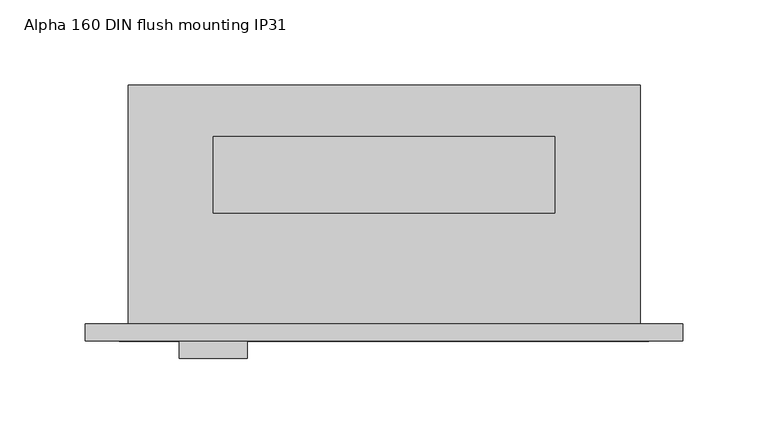
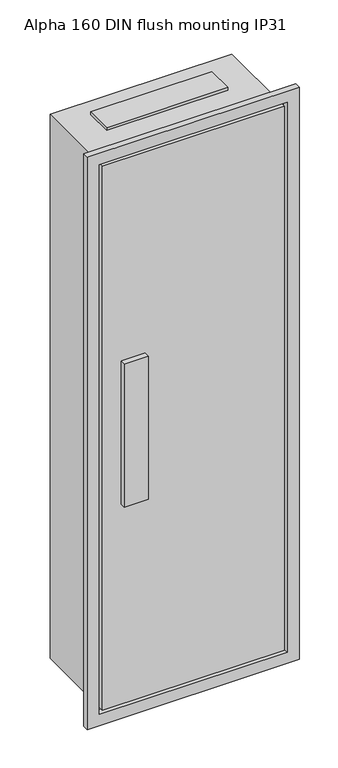
"""IFC4 building model written with IfcOpenShell, lengths in millimetres: proxy geometry, Alpha 160 DIN flush mounting IP31."""

import ifcopenshell
import ifcopenshell.guid

model = None  # the IFC model being written
_history = None  # IfcOwnerHistory: only IFC2X3 demands one
_inside = {}  # id of a spatial element -> (the spatial element, [elements in it])
_under = {}  # id of a project, library or spatial element -> (it, [spatial elements below it])
_declared = {}  # id of a project -> (the project, [libraries it declares])
_typed = {}  # id of a type object -> (the type object, [elements of that type])
_made_of = {}  # id of a material, layer set ... -> (it, [elements and type objects made of it])


def new_model(schema):
    """Start an empty IFC model of exactly this schema.

    Asked for "IFC4X3", IfcOpenShell would pick the latest addendum, in which some entities
    have other attributes; the version numbers below select the first issue.
    IFC2X3 requires an IfcOwnerHistory on every rooted entity: one is made here for all.
    """
    global model, _history
    if schema == "IFC4X3":
        model = ifcopenshell.file(schema_version=(4, 3, 0, 0))
    else:
        model = ifcopenshell.file(schema=schema)
    _inside.clear()
    _under.clear()
    _declared.clear()
    _typed.clear()
    _made_of.clear()
    _history = None
    if model.schema == "IFC2X3":
        org = make("IfcOrganization", Name="unknown")
        user = make(
            "IfcPersonAndOrganization",
            ThePerson=make("IfcPerson", FamilyName="unknown"),
            TheOrganization=org,
        )
        app = make(
            "IfcApplication",
            ApplicationDeveloper=org,
            Version="unknown",
            ApplicationFullName="unknown",
            ApplicationIdentifier="unknown",
        )
        _history = make(
            "IfcOwnerHistory",
            OwningUser=user,
            OwningApplication=app,
            ChangeAction="ADDED",
            CreationDate=0,
        )
    return model


def make(cls, **values):
    """One entity of the class cls with the attributes given. An attribute that is None is left unset."""
    return model.create_entity(
        cls, **{name: value for name, value in values.items() if value is not None}
    )


def rooted(cls, **values):
    """An entity with a GlobalId (a new one), such as an element, a storey or a relation."""
    return make(cls, GlobalId=ifcopenshell.guid.new(), OwnerHistory=_history, **values)


def si_unit(unit_type, name, prefix=None):
    """IfcSIUnit, for example si_unit("LENGTHUNIT", "METRE", prefix="MILLI")."""
    return make("IfcSIUnit", UnitType=unit_type, Prefix=prefix, Name=name)


def assignment(units):
    """IfcUnitAssignment: the units of a project."""
    return None if units is None else make("IfcUnitAssignment", Units=units)


def point(xyz):
    """IfcCartesianPoint."""
    return None if xyz is None else make("IfcCartesianPoint", Coordinates=xyz)


def direction(xyz):
    """IfcDirection."""
    return None if xyz is None else make("IfcDirection", DirectionRatios=xyz)


def frame(location, z_axis=None, x_axis=None):
    """IfcAxis2Placement3D, a coordinate frame: its origin and axes. An axis left out is left unset."""
    return make(
        "IfcAxis2Placement3D",
        Location=point(location),
        Axis=direction(z_axis),
        RefDirection=direction(x_axis),
    )


def origin():
    """The frame at (0, 0, 0) with its axes left unset."""
    return frame((0.0, 0.0, 0.0))


def origin_with_axes():
    """The frame at (0, 0, 0) with the z axis (0, 0, 1) and the x axis (1, 0, 0) written out."""
    return frame((0.0, 0.0, 0.0), z_axis=(0.0, 0.0, 1.0), x_axis=(1.0, 0.0, 0.0))


def place(relative_to, where):
    """IfcLocalPlacement: puts the frame where relative to a parent placement (None: the world)."""
    return make(
        "IfcLocalPlacement", PlacementRelTo=relative_to, RelativePlacement=where
    )


def context(
    kind, dimensions, precision=None, world=None, true_north=None, identifier=None
):
    """IfcGeometricRepresentationContext, for example the 3D "Model" context."""
    return make(
        "IfcGeometricRepresentationContext",
        ContextIdentifier=identifier,
        ContextType=kind,
        CoordinateSpaceDimension=dimensions,
        Precision=precision,
        WorldCoordinateSystem=world,
        TrueNorth=true_north,
    )


def project(units=None, contexts=None):
    """IfcProject with its units and contexts."""
    return rooted(
        "IfcProject",
        Name="project",
        RepresentationContexts=contexts,
        UnitsInContext=assignment(units),
    )


def spatial(cls, under=None, at=None, **own):
    """A site, building, storey or space (cls), placed at a placement, below another one or the project."""
    s = rooted(cls, ObjectPlacement=at, **own)
    if under is not None:
        _under.setdefault(under.id(), (under, []))[1].append(s)
    return s


def polyline(points):
    """IfcPolyline through the points."""
    return make("IfcPolyline", Points=[point(p) for p in points])


def outline(outer, holes=None, kind="AREA"):
    """IfcArbitraryClosedProfileDef: a profile drawn as a closed curve; with holes, ...WithVoids."""
    if holes is None:
        return make("IfcArbitraryClosedProfileDef", ProfileType=kind, OuterCurve=outer)
    return make(
        "IfcArbitraryProfileDefWithVoids",
        ProfileType=kind,
        OuterCurve=outer,
        InnerCurves=holes,
    )


def extrude(swept, where, along, depth):
    """IfcExtrudedAreaSolid: the profile swept, set in the frame where, extruded along a direction by depth."""
    return make(
        "IfcExtrudedAreaSolid",
        SweptArea=swept,
        Position=where,
        ExtrudedDirection=direction(along),
        Depth=depth,
    )


def shape(context_of_items, identifier, shape_type, items):
    """IfcShapeRepresentation: the items that make up one representation, for example the "Body"."""
    return make(
        "IfcShapeRepresentation",
        ContextOfItems=context_of_items,
        RepresentationIdentifier=identifier,
        RepresentationType=shape_type,
        Items=items,
    )


def source(mapping_origin, context_of_items, identifier, shape_type, items):
    """IfcRepresentationMap: a shape defined once, which mapped items show again and again."""
    return make(
        "IfcRepresentationMap",
        MappingOrigin=mapping_origin,
        MappedRepresentation=shape(context_of_items, identifier, shape_type, items),
    )


def transform(
    local_origin,
    x_axis=None,
    y_axis=None,
    z_axis=None,
    scale=None,
    scale2=None,
    scale3=None,
    uniform=True,
):
    """IfcCartesianTransformationOperator3D, or its non-uniform kind. x_axis, y_axis, z_axis: its Axis1, 2, 3."""
    if uniform:
        return make(
            "IfcCartesianTransformationOperator3D",
            Axis1=direction(x_axis),
            Axis2=direction(y_axis),
            LocalOrigin=point(local_origin),
            Scale=scale,
            Axis3=direction(z_axis),
        )
    return make(
        "IfcCartesianTransformationOperator3DnonUniform",
        Axis1=direction(x_axis),
        Axis2=direction(y_axis),
        LocalOrigin=point(local_origin),
        Scale=scale,
        Axis3=direction(z_axis),
        Scale2=scale2,
        Scale3=scale3,
    )


def mapped(mapping_source, mapping_target):
    """IfcMappedItem: shows the shape of a source again, moved by a transform."""
    return make(
        "IfcMappedItem", MappingSource=mapping_source, MappingTarget=mapping_target
    )


def made_of(thing, what):
    """Note that an element or type object is made of a material, layer set ...; save() writes the relation."""
    if what is not None:
        _made_of.setdefault(what.id(), (what, []))[1].append(thing)
    return thing


def element(
    cls,
    number,
    at=None,
    inside=None,
    cuts=None,
    type_object=None,
    material=None,
    context=None,
    identifier="Body",
    shape_type=None,
    held_by="IfcProductDefinitionShape",
    body=None,
    shapes=None,
    **own,
):
    """One element of the class cls, such as IfcWall. Its Tag is "e" and its number.

    at: its placement. inside: the storey or other place that contains it. cuts: it is an
    opening in that element (IfcRelVoidsElement). A single representation is given by context,
    identifier, shape_type and body (its items); several are given by shapes. held_by: the class
    of the entity that holds the representations. save() writes the other relations.
    """
    e = rooted(cls, Tag="e%d" % number, ObjectPlacement=at, **own)
    if body is not None:
        shapes = [shape(context, identifier, shape_type, body)]
    if shapes is not None:
        e.Representation = make(held_by, Representations=shapes)
    if inside is not None:
        _inside.setdefault(inside.id(), (inside, []))[1].append(e)
    if cuts is not None:
        rooted(
            "IfcRelVoidsElement", RelatingBuildingElement=cuts, RelatedOpeningElement=e
        )
    if type_object is not None:
        _typed.setdefault(type_object.id(), (type_object, []))[1].append(e)
    return made_of(e, material)


def aggregate(whole, parts):
    """IfcRelAggregates: a whole, such as a stair, and the parts it consists of."""
    return rooted("IfcRelAggregates", RelatingObject=whole, RelatedObjects=parts)


def save(model, path):
    """Write the relations noted so far, then the file.

    IfcRelAggregates (storeys below a building ...), IfcRelContainedInSpatialStructure (elements
    in a storey), IfcRelDefinesByType, IfcRelAssociatesMaterial and IfcRelDeclares: one each for
    every whole, place, type object, material and project.
    """
    for whole, parts in _under.values():
        aggregate(whole, parts)
    for where, things in _inside.values():
        rooted(
            "IfcRelContainedInSpatialStructure",
            RelatedElements=things,
            RelatingStructure=where,
        )
    for kind, things in _typed.values():
        rooted("IfcRelDefinesByType", RelatedObjects=things, RelatingType=kind)
    for what, things in _made_of.values():
        rooted("IfcRelAssociatesMaterial", RelatedObjects=things, RelatingMaterial=what)
    for by, libraries in _declared.values():
        rooted("IfcRelDeclares", RelatingContext=by, RelatedDefinitions=libraries)
    model.write(path)


def alpha_160_din_flush_mounting_ip31_937349d8(model_context):
    return source(origin(), model_context, "Body", "SweptSolid", [
        extrude(outline(polyline([(250.0, 110.0), (250.0, 65.0), (50.0, 65.0), (50.0, 110.0), (250.0, 110.0)])), frame((0.0, 0.0, 950.0), z_axis=(0.0, 0.0, 1.0), x_axis=(1.0, 0.0, 0.0)), (0.0, 0.0, 1.0), 5.0),
        extrude(outline(polyline([(250.0, 110.0), (250.0, 65.0), (50.0, 65.0), (50.0, 110.0), (250.0, 110.0)])), frame((0.0, 0.0, -5.0), z_axis=(0.0, 0.0, 1.0), x_axis=(1.0, 0.0, 0.0)), (0.0, 0.0, 1.0), 5.0),
        extrude(outline(polyline([(-25.0, 325.0), (975.0, 325.0), (975.0, -25.0), (-25.0, -25.0), (-25.0, 325.0)]), holes=[polyline([(955.0, 305.0), (-5.0, 305.0), (-5.0, -5.0), (955.0, -5.0), (955.0, 305.0)])]), frame((0.0, -10.0, 0.0), z_axis=(0.0, 1.0, 0.0), x_axis=(0.0, 0.0, 1.0)), (0.0, 0.0, 1.0), 10.0),
        extrude(outline(polyline([(0.0, -10.0), (0.0, 0.0), (300.0, 0.0), (300.0, -10.0), (0.0, -10.0)])), origin_with_axes(), (0.0, 0.0, 1.0), 950.0),
        extrude(outline(polyline([(70.0, -10.0), (70.0, -20.0), (30.0, -20.0), (30.0, -10.0), (70.0, -10.0)])), frame((0.0, 0.0, 350.0), z_axis=(0.0, 0.0, 1.0), x_axis=(1.0, 0.0, 0.0)), (0.0, 0.0, 1.0), 250.0),
        extrude(outline(polyline([(300.0, 140.0), (300.0, 0.0), (0.0, 0.0), (0.0, 140.0), (300.0, 140.0)])), origin_with_axes(), (0.0, 0.0, 1.0), 950.0),
    ])


if __name__ == "__main__":
    model = new_model("IFC4")
    model_context = context("Model", 3, world=origin())
    ifc_project = project(units=[si_unit("LENGTHUNIT", "METRE", prefix="MILLI")], contexts=[model_context])
    site = spatial("IfcSite", under=ifc_project)
    building = spatial("IfcBuilding", under=site)
    placement = place(None, origin())
    alpha_160_din_flush_mounting_ip31_shape = alpha_160_din_flush_mounting_ip31_937349d8(model_context)
    element("IfcBuildingElementProxy", 1, Name="Alpha 160 DIN flush mounting IP31", ObjectType="Alpha 160 DIN flush mounting IP31", at=placement, inside=building, context=model_context, shape_type="MappedRepresentation", body=[
        mapped(alpha_160_din_flush_mounting_ip31_shape, transform((0.0, 0.0, 0.0), x_axis=(1.0, 0.0, 0.0), y_axis=(0.0, 1.0, 0.0), z_axis=(0.0, 0.0, 1.0))),
    ])
    save(model, "model.ifc")
